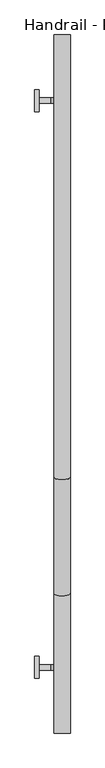
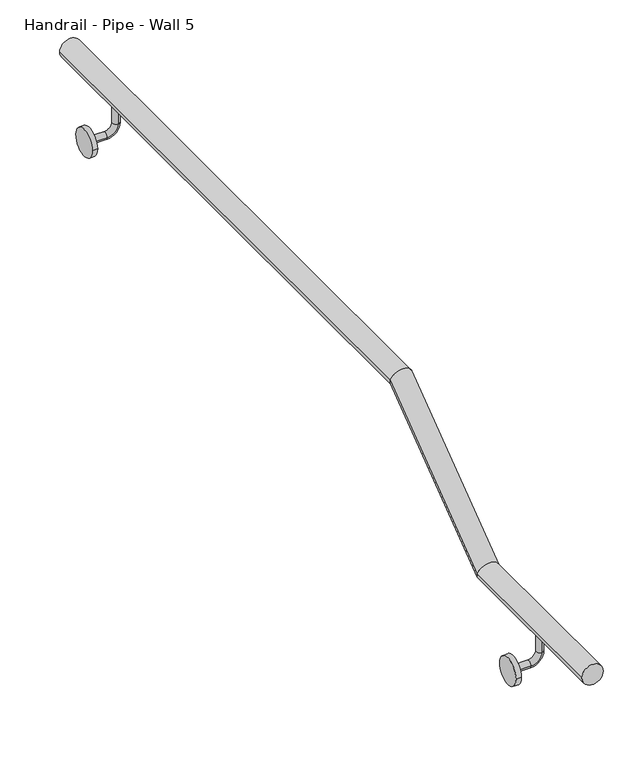
"""IFC4 building model written with IfcOpenShell, lengths in millimetres: railing geometry, Handrail - Pipe - Wall 5."""

from ifc_helpers import new_model, si_unit, point, frame, frame_2d, origin, place, context, project, spatial, circle_curve, ellipse_curve, trimmed, segment, composite_curve, outline, extrude, source, transform, mapped, element, save
from ifc_brep_helpers import plane_surface, cylinder_surface, revolved_surface, advanced_brep


def handrail_pipe_wall_5_be008f4a(model_context):
    return source(origin(), model_context, "Body", "SolidModel", [
        advanced_brep(
        [(-25650.6603773, 36347.482603, -13138.15), (-25688.7603773, 36347.482603, -13138.15), (-25688.7603773, 36671.3525027, -13138.15), (-25650.6603773, 36671.3525027, -13138.15), (-25688.7603773, 36941.2275027, -12934.95), (-25650.6603773, 36941.2275027, -12934.95), (-25650.6603773, 37966.732603, -12934.95), (-25688.7603773, 37966.732603, -12934.95)],
        [
            (0, 1, circle_curve(frame((-25669.7103773, 36347.482603, -13138.15), z_axis=(0.0, -1.0, 0.0), x_axis=(-1.0, 0.0, 0.0)), 19.05)),
            (1, 0, circle_curve(frame((-25669.7103773, 36347.482603, -13138.15), z_axis=(0.0, -1.0, 0.0), x_axis=(-1.0, 0.0, 0.0)), 19.05)),
            (1, 2),
            (2, 3, ellipse_curve(frame((-25669.7103773, 36671.3525027, -13138.15), z_axis=(0.0, -0.9483856729041237, -0.31711924481209386), x_axis=(0.0, -0.3171192448120934, 0.9483856729041237)), 20.0867649, 19.05)),
            (3, 0),
            (3, 2, ellipse_curve(frame((-25669.7103773, 36671.3525027, -13138.15), z_axis=(0.0, -0.9483856729041237, -0.31711924481209386), x_axis=(0.0, -0.3171192448120934, 0.9483856729041237)), 20.0867649, 19.05)),
            (2, 4),
            (4, 5, ellipse_curve(frame((-25669.7103773, 36941.2275027, -12934.95), z_axis=(0.0, -0.9483856729041235, -0.31711924481209386), x_axis=(0.0, 0.3171192448120936, -0.9483856729041239)), 20.0867649, 19.05)),
            (5, 3),
            (5, 4, ellipse_curve(frame((-25669.7103773, 36941.2275027, -12934.95), z_axis=(0.0, -0.9483856729041235, -0.31711924481209386), x_axis=(0.0, 0.3171192448120936, -0.9483856729041239)), 20.0867649, 19.05)),
            (6, 7, circle_curve(frame((-25669.7103773, 37966.732603, -12934.95), z_axis=(0.0, 1.0, 0.0), x_axis=(-1.0, 0.0, 0.0)), 19.05)),
            (7, 6, circle_curve(frame((-25669.7103773, 37966.732603, -12934.95), z_axis=(0.0, 1.0, 0.0), x_axis=(-1.0, 0.0, 0.0)), 19.05)),
            (4, 7),
            (6, 5),
        ],
        [
            plane_surface(frame((-25669.7103773, 36347.482603, -13119.1), z_axis=(0.0, -1.0, 0.0), x_axis=(0.0, 0.0, 1.0))),
            cylinder_surface(frame((-25669.7103773, 36347.482603, -13138.15), z_axis=(0.0, -1.0, 0.0), x_axis=(-1.0, 0.0, 0.0)), 19.05),
            cylinder_surface(frame((-25669.7103773, 36676.4412293, -13134.3184882), z_axis=(0.0, -0.7988707691396146, -0.6015026967639302), x_axis=(-1.0, 0.0, 0.0)), 19.05),
            plane_surface(frame((-25669.7103773, 37966.732603, -12915.9), z_axis=(0.0, 1.0, 0.0), x_axis=(0.0, 0.0, 1.0))),
            cylinder_surface(frame((-25669.7103773, 36934.857603, -12934.95), z_axis=(0.0, -1.0, 0.0), x_axis=(-1.0, 0.0, 0.0)), 19.05),
        ],
        [
            (0, [[1, 2]]),
            (1, [[-2, 3, 4, 5]]),
            (1, [[-1, -5, 6, -3]]),
            (2, [[-4, 7, 8, 9]]),
            (2, [[-6, -9, 10, -7]]),
            (3, [[11, 12]]),
            (4, [[-8, 13, -11, 14]]),
            (4, [[-10, -14, -12, -13]]),
        ],
    ),
        advanced_brep(
        [(-25676.0603773, 37807.982603, -12922.25), (-25676.0603773, 37820.682603, -12922.25), (-25676.0603773, 37820.682603, -12979.4), (-25676.0603773, 37807.982603, -12979.4), (-25695.1103773, 37820.682603, -12998.45), (-25695.1103773, 37807.982603, -12998.45), (-25723.6853773, 37807.982603, -12998.45), (-25723.6853773, 37820.682603, -12998.45)],
        [
            (0, 1, circle_curve(frame((-25676.0603773, 37814.332603, -12922.25), z_axis=(0.0, 0.0, 1.0), x_axis=(0.0, 1.0, 0.0)), 6.35)),
            (1, 0, circle_curve(frame((-25676.0603773, 37814.332603, -12922.25), z_axis=(0.0, 0.0, 1.0), x_axis=(0.0, 1.0, 0.0)), 6.35)),
            (1, 2),
            (2, 3, circle_curve(frame((-25676.0603773, 37814.332603, -12979.4), z_axis=(0.0, 0.0, 1.0), x_axis=(0.0, 1.0, 0.0)), 6.35)),
            (3, 0),
            (3, 2, circle_curve(frame((-25676.0603773, 37814.332603, -12979.4), z_axis=(0.0, 0.0, 1.0), x_axis=(0.0, 1.0, 0.0)), 6.35)),
            (4, 5, circle_curve(frame((-25695.1103773, 37814.332603, -12998.45), z_axis=(1.0, 0.0, 0.0), x_axis=(0.0, 1.0, 0.0)), 6.35)),
            (5, 3, circle_curve(frame((-25695.1103773, 37807.982603, -12979.4), z_axis=(0.0, -1.0, 0.0), x_axis=(1.0, 0.0, 0.0)), 19.05)),
            (2, 4, circle_curve(frame((-25695.1103773, 37820.682603, -12979.4), z_axis=(0.0, 1.0, 0.0), x_axis=(1.0, 0.0, 0.0)), 19.05)),
            (5, 4, circle_curve(frame((-25695.1103773, 37814.332603, -12998.45), z_axis=(1.0, 0.0, 0.0), x_axis=(0.0, 1.0, 0.0)), 6.35)),
            (6, 7, circle_curve(frame((-25723.6853773, 37814.332603, -12998.45), z_axis=(-1.0, 0.0, 0.0), x_axis=(0.0, 1.0, 0.0)), 6.35)),
            (7, 6, circle_curve(frame((-25723.6853773, 37814.332603, -12998.45), z_axis=(-1.0, 0.0, 0.0), x_axis=(0.0, 1.0, 0.0)), 6.35)),
            (4, 7),
            (6, 5),
        ],
        [
            plane_surface(frame((-25676.0603773, 37820.682603, -12922.25), z_axis=(0.0, 0.0, 1.0), x_axis=(-1.0, 0.0, 0.0))),
            cylinder_surface(frame((-25676.0603773, 37814.332603, -12922.25), z_axis=(0.0, 0.0, 1.0), x_axis=(0.0, 1.0, 0.0)), 6.35),
            revolved_surface(trimmed(ellipse_curve(frame((-25676.0603773, 37814.332603, -12979.4), z_axis=(0.0, 0.0, -1.0), x_axis=(0.0, 1.0, 0.0)), 6.35, 6.35), [point((-25676.0603773, 37807.982603, -12979.4))], [point((-25676.0603773, 37820.682603, -12979.4))], True, "CARTESIAN"), (-25695.1103773, 37814.332603, -12979.4), (0.0, -1.0, 0.0)),
            revolved_surface(trimmed(ellipse_curve(frame((-25676.0603773, 37814.332603, -12979.4), z_axis=(0.0, 0.0, -1.0), x_axis=(0.0, 1.0, 0.0)), 6.35, 6.35), [point((-25676.0603773, 37820.682603, -12979.4))], [point((-25676.0603773, 37807.982603, -12979.4))], True, "CARTESIAN"), (-25695.1103773, 37814.332603, -12979.4), (0.0, -1.0, 0.0)),
            plane_surface(frame((-25723.6853773, 37814.332603, -13004.8), z_axis=(-1.0, 0.0, 0.0), x_axis=(0.0, 1.0, 0.0))),
            cylinder_surface(frame((-25695.1103773, 37814.332603, -12998.45), z_axis=(1.0, 0.0, 0.0), x_axis=(0.0, 1.0, 0.0)), 6.35),
        ],
        [
            (0, [[1, 2]]),
            (1, [[3, 4, 5, -2]]),
            (1, [[-5, 6, -3, -1]]),
            (2, [[7, 8, -4, 9]]),
            (3, [[10, -9, -6, -8]]),
            (4, [[11, 12]]),
            (5, [[13, -11, 14, -7]]),
            (5, [[-14, -12, -13, -10]]),
        ],
    ),
        extrude(outline(composite_curve([segment(trimmed(circle_curve(frame_2d((37814.332603, -12998.45)), 25.4), [point((37839.732603, -12998.45))], [point((37788.932603, -12998.45))], False, "CARTESIAN"), True, "CONTINUOUS"), segment(trimmed(circle_curve(frame_2d((37814.332603, -12998.45)), 25.4), [point((37788.932603, -12998.45))], [point((37839.732603, -12998.45))], False, "CARTESIAN"), True, "CONTINUOUS")], self_intersect=False)), frame((-25733.2103773, 0.0, 0.0), z_axis=(1.0, 0.0, 0.0), x_axis=(0.0, 1.0, 0.0)), (0.0, 0.0, 1.0), 9.525),
        advanced_brep(
        [(-25676.0603773, 36493.532603, -13125.45), (-25676.0603773, 36506.232603, -13125.45), (-25676.0603773, 36506.232603, -13182.6), (-25676.0603773, 36493.532603, -13182.6), (-25695.1103773, 36506.232603, -13201.65), (-25695.1103773, 36493.532603, -13201.65), (-25723.6853773, 36493.532603, -13201.65), (-25723.6853773, 36506.232603, -13201.65)],
        [
            (0, 1, circle_curve(frame((-25676.0603773, 36499.882603, -13125.45), z_axis=(0.0, 0.0, 1.0), x_axis=(0.0, 1.0, 0.0)), 6.35)),
            (1, 0, circle_curve(frame((-25676.0603773, 36499.882603, -13125.45), z_axis=(0.0, 0.0, 1.0), x_axis=(0.0, 1.0, 0.0)), 6.35)),
            (1, 2),
            (2, 3, circle_curve(frame((-25676.0603773, 36499.882603, -13182.6), z_axis=(0.0, 0.0, 1.0), x_axis=(0.0, 1.0, 0.0)), 6.35)),
            (3, 0),
            (3, 2, circle_curve(frame((-25676.0603773, 36499.882603, -13182.6), z_axis=(0.0, 0.0, 1.0), x_axis=(0.0, 1.0, 0.0)), 6.35)),
            (4, 5, circle_curve(frame((-25695.1103773, 36499.882603, -13201.65), z_axis=(1.0, 0.0, 0.0), x_axis=(0.0, 1.0, 0.0)), 6.35)),
            (5, 3, circle_curve(frame((-25695.1103773, 36493.532603, -13182.6), z_axis=(0.0, -1.0, 0.0), x_axis=(1.0, 0.0, 0.0)), 19.05)),
            (2, 4, circle_curve(frame((-25695.1103773, 36506.232603, -13182.6), z_axis=(0.0, 1.0, 0.0), x_axis=(1.0, 0.0, 0.0)), 19.05)),
            (5, 4, circle_curve(frame((-25695.1103773, 36499.882603, -13201.65), z_axis=(1.0, 0.0, 0.0), x_axis=(0.0, 1.0, 0.0)), 6.35)),
            (6, 7, circle_curve(frame((-25723.6853773, 36499.882603, -13201.65), z_axis=(-1.0, 0.0, 0.0), x_axis=(0.0, 1.0, 0.0)), 6.35)),
            (7, 6, circle_curve(frame((-25723.6853773, 36499.882603, -13201.65), z_axis=(-1.0, 0.0, 0.0), x_axis=(0.0, 1.0, 0.0)), 6.35)),
            (4, 7),
            (6, 5),
        ],
        [
            plane_surface(frame((-25676.0603773, 36506.232603, -13125.45), z_axis=(0.0, 0.0, 1.0), x_axis=(-1.0, 0.0, 0.0))),
            cylinder_surface(frame((-25676.0603773, 36499.882603, -13125.45), z_axis=(0.0, 0.0, 1.0), x_axis=(0.0, 1.0, 0.0)), 6.35),
            revolved_surface(trimmed(ellipse_curve(frame((-25676.0603773, 36499.882603, -13182.6), z_axis=(0.0, 0.0, -1.0), x_axis=(0.0, 1.0, 0.0)), 6.35, 6.35), [point((-25676.0603773, 36493.532603, -13182.6))], [point((-25676.0603773, 36506.232603, -13182.6))], True, "CARTESIAN"), (-25695.1103773, 36499.882603, -13182.6), (0.0, -1.0, 0.0)),
            revolved_surface(trimmed(ellipse_curve(frame((-25676.0603773, 36499.882603, -13182.6), z_axis=(0.0, 0.0, -1.0), x_axis=(0.0, 1.0, 0.0)), 6.35, 6.35), [point((-25676.0603773, 36506.232603, -13182.6))], [point((-25676.0603773, 36493.532603, -13182.6))], True, "CARTESIAN"), (-25695.1103773, 36499.882603, -13182.6), (0.0, -1.0, 0.0)),
            plane_surface(frame((-25723.6853773, 36499.882603, -13208.0), z_axis=(-1.0, 0.0, 0.0), x_axis=(0.0, 1.0, 0.0))),
            cylinder_surface(frame((-25695.1103773, 36499.882603, -13201.65), z_axis=(1.0, 0.0, 0.0), x_axis=(0.0, 1.0, 0.0)), 6.35),
        ],
        [
            (0, [[1, 2]]),
            (1, [[3, 4, 5, -2]]),
            (1, [[-5, 6, -3, -1]]),
            (2, [[7, 8, -4, 9]]),
            (3, [[10, -9, -6, -8]]),
            (4, [[11, 12]]),
            (5, [[13, -11, 14, -7]]),
            (5, [[-14, -12, -13, -10]]),
        ],
    ),
        extrude(outline(composite_curve([segment(trimmed(circle_curve(frame_2d((36499.882603, -13201.65)), 25.4), [point((36525.282603, -13201.65))], [point((36474.482603, -13201.65))], False, "CARTESIAN"), True, "CONTINUOUS"), segment(trimmed(circle_curve(frame_2d((36499.882603, -13201.65)), 25.4), [point((36474.482603, -13201.65))], [point((36525.282603, -13201.65))], False, "CARTESIAN"), True, "CONTINUOUS")], self_intersect=False)), frame((-25733.2103773, 0.0, 0.0), z_axis=(1.0, 0.0, 0.0), x_axis=(0.0, 1.0, 0.0)), (0.0, 0.0, 1.0), 9.525),
    ])


if __name__ == "__main__":
    model = new_model("IFC4")
    model_context = context("Model", 3, world=origin())
    ifc_project = project(units=[si_unit("LENGTHUNIT", "METRE", prefix="MILLI")], contexts=[model_context])
    site = spatial("IfcSite", under=ifc_project)
    building = spatial("IfcBuilding", under=site)
    placement = place(None, origin())
    handrail_pipe_wall_5_shape = handrail_pipe_wall_5_be008f4a(model_context)
    element("IfcRailing", 1, ObjectType="Handrail - Pipe - Wall 5", at=placement, inside=building, context=model_context, shape_type="MappedRepresentation", body=[
        mapped(handrail_pipe_wall_5_shape, transform((0.0, 0.0, 0.0), x_axis=(1.0, 0.0, 0.0), y_axis=(0.0, 1.0, 0.0), z_axis=(0.0, 0.0, 1.0))),
    ])
    save(model, "model.ifc")
